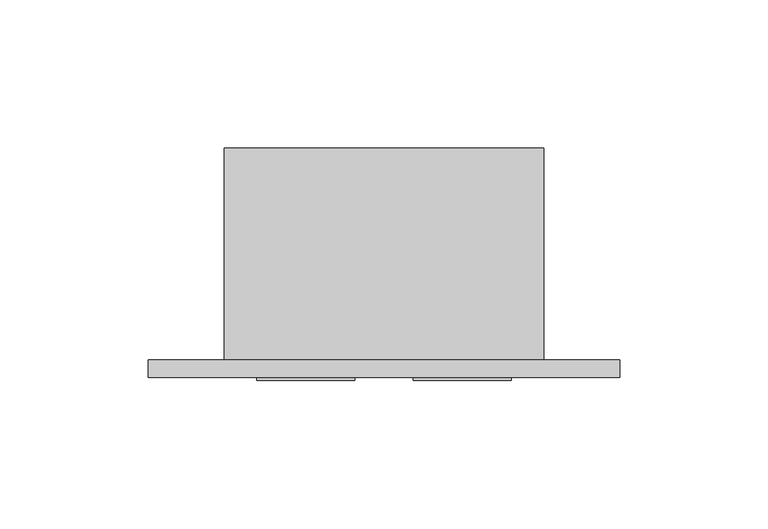
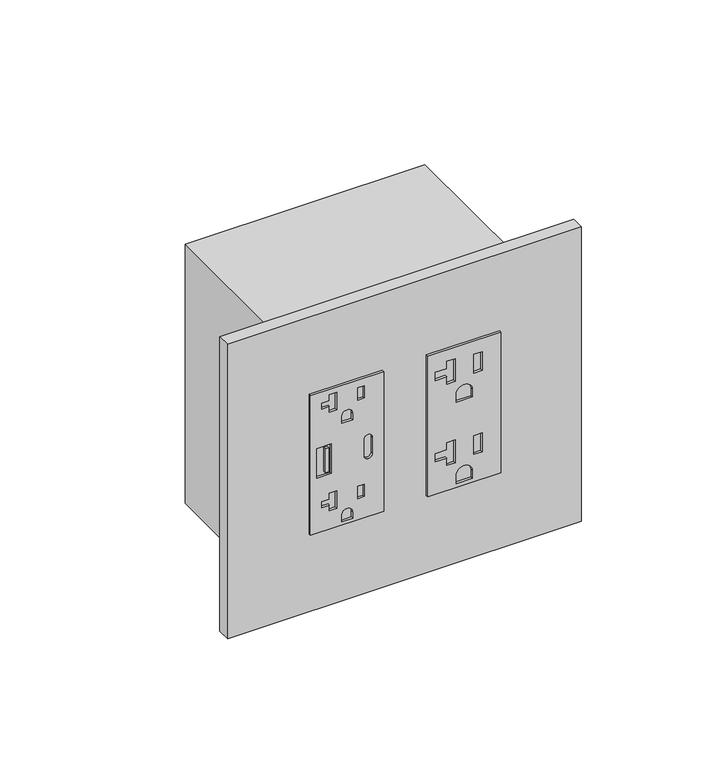
"""IFC4 building model written with IfcOpenShell, lengths in millimetres: proxy geometry."""

from ifc_helpers import new_model, si_unit, point, frame, frame_2d, origin, place, context, project, spatial, polyline, circle_curve, trimmed, segment, composite_curve, outline, extrude, source, transform, mapped, element, save


def electrical_fixtures_28eba391(model_context):
    return source(origin(), model_context, "Body", "SweptSolid", [
        extrude(outline(polyline([(414.1844229, 11.0998), (347.6364229, 11.0998), (347.6364229, 44.0944), (414.1844229, 44.0944), (414.1844229, 11.0998)]), holes=[polyline([(387.9589229, 14.0236066), (387.9589229, 20.5246617), (373.8619229, 20.5246617), (373.8619229, 14.0236066), (387.9589229, 14.0236066)]), composite_curve([segment(trimmed(circle_curve(frame_2d((384.6950229, 37.1348)), 1.905), [point((384.6950229, 35.2298))], [point((384.6950229, 39.0398))], True, "CARTESIAN"), True, "CONTINUOUS"), segment(polyline([(384.6950229, 39.0398), (377.1258229, 39.0398)]), True, "CONTINUOUS"), segment(trimmed(circle_curve(frame_2d((377.1258229, 37.1348)), 1.905), [point((377.1258229, 39.0398))], [point((377.1258229, 35.2298))], True, "CARTESIAN"), True, "CONTINUOUS"), segment(polyline([(377.1258229, 35.2298), (384.6950229, 35.2298)]), True, "CONTINUOUS")], self_intersect=False), composite_curve([segment(polyline([(349.1604229, 30.0609), (349.1604229, 25.1333), (352.2592229, 25.1333)]), True, "CONTINUOUS"), segment(trimmed(circle_curve(frame_2d((352.2592229, 27.5971)), 2.4638), [point((352.2592229, 25.1333))], [point((352.2592229, 30.0609))], True, "CARTESIAN"), True, "CONTINUOUS"), segment(polyline([(352.2592229, 30.0609), (349.1604229, 30.0609)]), True, "CONTINUOUS")], self_intersect=False), polyline([(364.7306229, 22.9616), (356.431589, 22.9616), (356.431589, 19.6342), (359.1147869, 19.6342), (359.1147869, 16.1036), (361.8524041, 16.1036), (361.8524041, 19.6342), (364.7306229, 19.6342), (364.7306229, 22.9616)]), composite_curve([segment(polyline([(396.1504229, 25.1333), (399.2492229, 25.1333)]), True, "CONTINUOUS"), segment(trimmed(circle_curve(frame_2d((399.2492229, 27.5971)), 2.4638), [point((399.2492229, 25.1333))], [point((399.2492229, 30.0609))], True, "CARTESIAN"), True, "CONTINUOUS"), segment(polyline([(399.2492229, 30.0609), (396.1504229, 30.0609), (396.1504229, 25.1333)]), True, "CONTINUOUS")], self_intersect=False), polyline([(404.6678878, 32.4358), (410.4910404, 32.4358), (410.4910404, 35.41014), (404.6678878, 35.41014), (404.6678878, 32.4358)]), polyline([(357.6778878, 32.4358), (363.5010404, 32.4358), (363.5010404, 35.41014), (357.6778878, 35.41014), (357.6778878, 32.4358)]), polyline([(411.7206229, 22.9616), (403.421589, 22.9616), (403.421589, 19.6342), (406.1047869, 19.6342), (406.1047869, 16.1036), (408.8424041, 16.1036), (408.8424041, 19.6342), (411.7206229, 19.6342), (411.7206229, 22.9616)])]), frame((0.0, -6.9294746, 0.0), z_axis=(0.0, 1.0, 0.0), x_axis=(0.0, 0.0, 1.0)), (0.0, 0.0, 1.0), 1.0366746),
        extrude(outline(polyline([(19.314835, -6.9294746), (17.7939058, -6.9294746), (17.7939058, -5.8928), (19.314835, -5.8928), (19.314835, -6.9294746)])), frame((0.0, 0.0, 375.1845775), z_axis=(0.0, 0.0, 1.0), x_axis=(1.0, 0.0, 0.0)), (0.0, 0.0, 1.0), 11.4436352),
        extrude(outline(polyline([(414.4772, 96.9264), (414.4772, 63.9318), (347.5228, 63.9318), (347.5228, 96.9264), (414.4772, 96.9264)]), holes=[polyline([(366.8776, 72.4408), (370.3574, 72.4408), (370.3574, 76.2762), (359.537, 76.2762), (359.537, 72.4408), (363.0168, 72.4408), (363.0168, 67.3354), (366.8776, 67.3354), (366.8776, 72.4408)]), polyline([(369.3795, 88.4428), (360.5149, 88.4428), (360.5149, 84.6074), (369.3795, 84.6074), (369.3795, 88.4428)]), composite_curve([segment(polyline([(352.9838, 84.0613), (349.3516, 84.0613), (349.3516, 76.7969), (352.9838, 76.7969)]), True, "CONTINUOUS"), segment(trimmed(circle_curve(frame_2d((352.9838, 80.4291)), 3.6322), [point((352.9838, 76.7969))], [point((352.9838, 84.0613))], True, "CARTESIAN"), True, "CONTINUOUS")], self_intersect=False), polyline([(405.6126, 72.4408), (409.0924, 72.4408), (409.0924, 76.2762), (398.272, 76.2762), (398.272, 72.4408), (401.7518, 72.4408), (401.7518, 67.3354), (405.6126, 67.3354), (405.6126, 72.4408)]), polyline([(408.1145, 88.4428), (399.2499, 88.4428), (399.2499, 84.6074), (408.1145, 84.6074), (408.1145, 88.4428)]), composite_curve([segment(polyline([(391.7188, 84.0613), (388.0866, 84.0613), (388.0866, 76.7969), (391.7188, 76.7969)]), True, "CONTINUOUS"), segment(trimmed(circle_curve(frame_2d((391.7188, 80.4291)), 3.6322), [point((391.7188, 76.7969))], [point((391.7188, 84.0613))], True, "CARTESIAN"), True, "CONTINUOUS")], self_intersect=False)]), frame((0.0, -6.9294746, 0.0), z_axis=(0.0, 1.0, 0.0), x_axis=(0.0, 0.0, 1.0)), (0.0, 0.0, 1.0), 1.0366746),
        extrude(outline(polyline([(-25.6794, 0.0), (133.7056, 0.0), (133.7056, -5.8928), (-25.6794, -5.8928), (-25.6794, 0.0)])), frame((0.0, 0.0, 310.7302229), z_axis=(0.0, 0.0, 1.0), x_axis=(1.0, 0.0, 0.0)), (0.0, 0.0, 1.0), 140.3604),
        extrude(outline(polyline([(108.0262, 0.0), (0.0, 0.0), (0.0, 71.7296), (108.0262, 71.7296), (108.0262, 0.0)])), frame((0.0, 0.0, 319.1630229), z_axis=(0.0, 0.0, 1.0), x_axis=(1.0, 0.0, 0.0)), (0.0, 0.0, 1.0), 123.4948),
    ])


if __name__ == "__main__":
    model = new_model("IFC4")
    model_context = context("Model", 3, world=origin())
    ifc_project = project(units=[si_unit("LENGTHUNIT", "METRE", prefix="MILLI")], contexts=[model_context])
    site = spatial("IfcSite", under=ifc_project)
    building = spatial("IfcBuilding", under=site)
    placement = place(None, origin())
    electrical_fixtures_shape = electrical_fixtures_28eba391(model_context)
    element("IfcBuildingElementProxy", 1, Name="Electrical Fixtures", at=placement, inside=building, context=model_context, shape_type="MappedRepresentation", body=[
        mapped(electrical_fixtures_shape, transform((0.0, 0.0, 0.0), x_axis=(1.0, 0.0, 0.0), y_axis=(0.0, 1.0, 0.0), z_axis=(0.0, 0.0, 1.0))),
    ])
    save(model, "model.ifc")
